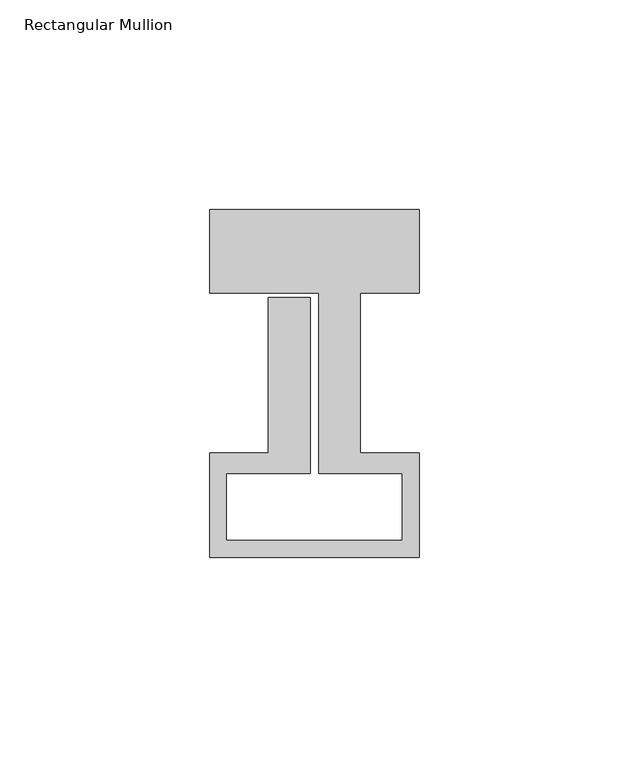
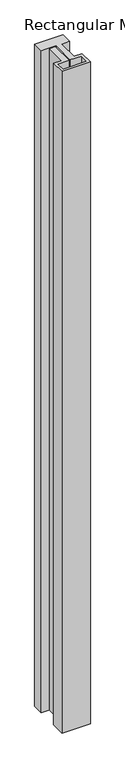
"""IFC4 building model written with IfcOpenShell, lengths in millimetres: member geometry, Rectangular Mullion."""

from ifc_helpers import new_model, si_unit, frame, origin, place, context, project, spatial, polyline, outline, extrude, source, transform, mapped, element, save


def rectangular_mullion_a4b81f63(model_context):
    return source(origin(), model_context, "Body", "SweptSolid", [
        extrude(outline(polyline([(0.0, 58.0), (0.0, 38.0), (-14.0, 38.0), (-14.0, -0.1), (0.0, -0.1), (0.0, -25.0), (-50.0, -25.0), (-50.0, -0.1), (-36.0, -0.1), (-36.0, 37.0), (-26.0, 37.0), (-26.0, -5.0), (-46.0, -5.0), (-46.0, -21.0), (-4.0, -21.0), (-4.0, -5.0), (-24.0, -5.0), (-24.0, 38.0), (-50.0, 38.0), (-50.0, 58.0), (0.0, 58.0)])), frame((0.0, 0.0, -1232.0), z_axis=(0.0, 0.0, 1.0), x_axis=(1.0, 0.0, 0.0)), (0.0, 0.0, 1.0), 1232.0),
    ])


if __name__ == "__main__":
    model = new_model("IFC4")
    model_context = context("Model", 3, world=origin())
    ifc_project = project(units=[si_unit("LENGTHUNIT", "METRE", prefix="MILLI")], contexts=[model_context])
    site = spatial("IfcSite", under=ifc_project)
    building = spatial("IfcBuilding", under=site)
    placement = place(None, origin())
    rectangular_mullion_shape = rectangular_mullion_a4b81f63(model_context)
    element("IfcMember", 1, ObjectType="Rectangular Mullion", at=placement, inside=building, context=model_context, shape_type="MappedRepresentation", body=[
        mapped(rectangular_mullion_shape, transform((0.0, 0.0, 0.0), x_axis=(1.0, 0.0, 0.0), y_axis=(0.0, 1.0, 0.0), z_axis=(0.0, 0.0, 1.0))),
    ])
    save(model, "model.ifc")
